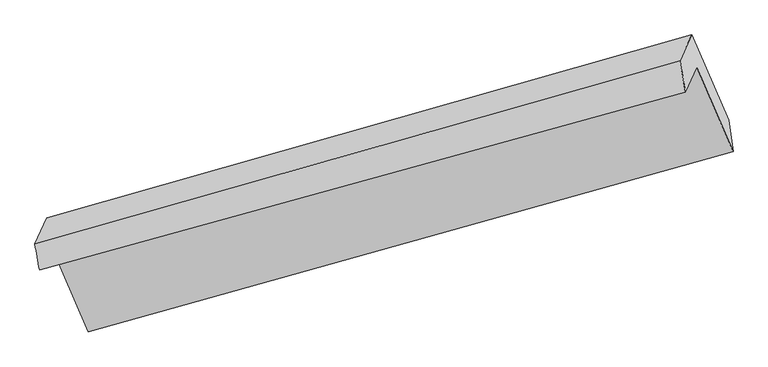
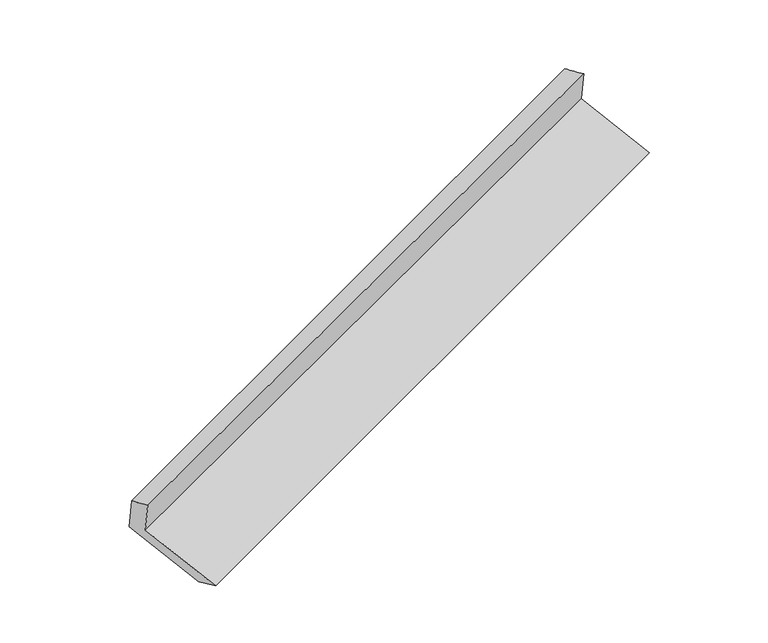
"""IFC4 building model written with IfcOpenShell, lengths in millimetres: proxy geometry."""

import ifcopenshell
import ifcopenshell.guid

model = None  # the IFC model being written
_history = None  # IfcOwnerHistory: only IFC2X3 demands one
_inside = {}  # id of a spatial element -> (the spatial element, [elements in it])
_under = {}  # id of a project, library or spatial element -> (it, [spatial elements below it])
_declared = {}  # id of a project -> (the project, [libraries it declares])
_typed = {}  # id of a type object -> (the type object, [elements of that type])
_made_of = {}  # id of a material, layer set ... -> (it, [elements and type objects made of it])


def new_model(schema):
    """Start an empty IFC model of exactly this schema.

    Asked for "IFC4X3", IfcOpenShell would pick the latest addendum, in which some entities
    have other attributes; the version numbers below select the first issue.
    IFC2X3 requires an IfcOwnerHistory on every rooted entity: one is made here for all.
    """
    global model, _history
    if schema == "IFC4X3":
        model = ifcopenshell.file(schema_version=(4, 3, 0, 0))
    else:
        model = ifcopenshell.file(schema=schema)
    _inside.clear()
    _under.clear()
    _declared.clear()
    _typed.clear()
    _made_of.clear()
    _history = None
    if model.schema == "IFC2X3":
        org = make("IfcOrganization", Name="unknown")
        user = make(
            "IfcPersonAndOrganization",
            ThePerson=make("IfcPerson", FamilyName="unknown"),
            TheOrganization=org,
        )
        app = make(
            "IfcApplication",
            ApplicationDeveloper=org,
            Version="unknown",
            ApplicationFullName="unknown",
            ApplicationIdentifier="unknown",
        )
        _history = make(
            "IfcOwnerHistory",
            OwningUser=user,
            OwningApplication=app,
            ChangeAction="ADDED",
            CreationDate=0,
        )
    return model


def make(cls, **values):
    """One entity of the class cls with the attributes given. An attribute that is None is left unset."""
    return model.create_entity(
        cls, **{name: value for name, value in values.items() if value is not None}
    )


def rooted(cls, **values):
    """An entity with a GlobalId (a new one), such as an element, a storey or a relation."""
    return make(cls, GlobalId=ifcopenshell.guid.new(), OwnerHistory=_history, **values)


def si_unit(unit_type, name, prefix=None):
    """IfcSIUnit, for example si_unit("LENGTHUNIT", "METRE", prefix="MILLI")."""
    return make("IfcSIUnit", UnitType=unit_type, Prefix=prefix, Name=name)


def assignment(units):
    """IfcUnitAssignment: the units of a project."""
    return None if units is None else make("IfcUnitAssignment", Units=units)


def point(xyz):
    """IfcCartesianPoint."""
    return None if xyz is None else make("IfcCartesianPoint", Coordinates=xyz)


def direction(xyz):
    """IfcDirection."""
    return None if xyz is None else make("IfcDirection", DirectionRatios=xyz)


def frame(location, z_axis=None, x_axis=None):
    """IfcAxis2Placement3D, a coordinate frame: its origin and axes. An axis left out is left unset."""
    return make(
        "IfcAxis2Placement3D",
        Location=point(location),
        Axis=direction(z_axis),
        RefDirection=direction(x_axis),
    )


def origin():
    """The frame at (0, 0, 0) with its axes left unset."""
    return frame((0.0, 0.0, 0.0))


def place(relative_to, where):
    """IfcLocalPlacement: puts the frame where relative to a parent placement (None: the world)."""
    return make(
        "IfcLocalPlacement", PlacementRelTo=relative_to, RelativePlacement=where
    )


def context(
    kind, dimensions, precision=None, world=None, true_north=None, identifier=None
):
    """IfcGeometricRepresentationContext, for example the 3D "Model" context."""
    return make(
        "IfcGeometricRepresentationContext",
        ContextIdentifier=identifier,
        ContextType=kind,
        CoordinateSpaceDimension=dimensions,
        Precision=precision,
        WorldCoordinateSystem=world,
        TrueNorth=true_north,
    )


def project(units=None, contexts=None):
    """IfcProject with its units and contexts."""
    return rooted(
        "IfcProject",
        Name="project",
        RepresentationContexts=contexts,
        UnitsInContext=assignment(units),
    )


def spatial(cls, under=None, at=None, **own):
    """A site, building, storey or space (cls), placed at a placement, below another one or the project."""
    s = rooted(cls, ObjectPlacement=at, **own)
    if under is not None:
        _under.setdefault(under.id(), (under, []))[1].append(s)
    return s


def shape(context_of_items, identifier, shape_type, items):
    """IfcShapeRepresentation: the items that make up one representation, for example the "Body"."""
    return make(
        "IfcShapeRepresentation",
        ContextOfItems=context_of_items,
        RepresentationIdentifier=identifier,
        RepresentationType=shape_type,
        Items=items,
    )


def source(mapping_origin, context_of_items, identifier, shape_type, items):
    """IfcRepresentationMap: a shape defined once, which mapped items show again and again."""
    return make(
        "IfcRepresentationMap",
        MappingOrigin=mapping_origin,
        MappedRepresentation=shape(context_of_items, identifier, shape_type, items),
    )


def transform(
    local_origin,
    x_axis=None,
    y_axis=None,
    z_axis=None,
    scale=None,
    scale2=None,
    scale3=None,
    uniform=True,
):
    """IfcCartesianTransformationOperator3D, or its non-uniform kind. x_axis, y_axis, z_axis: its Axis1, 2, 3."""
    if uniform:
        return make(
            "IfcCartesianTransformationOperator3D",
            Axis1=direction(x_axis),
            Axis2=direction(y_axis),
            LocalOrigin=point(local_origin),
            Scale=scale,
            Axis3=direction(z_axis),
        )
    return make(
        "IfcCartesianTransformationOperator3DnonUniform",
        Axis1=direction(x_axis),
        Axis2=direction(y_axis),
        LocalOrigin=point(local_origin),
        Scale=scale,
        Axis3=direction(z_axis),
        Scale2=scale2,
        Scale3=scale3,
    )


def mapped(mapping_source, mapping_target):
    """IfcMappedItem: shows the shape of a source again, moved by a transform."""
    return make(
        "IfcMappedItem", MappingSource=mapping_source, MappingTarget=mapping_target
    )


def made_of(thing, what):
    """Note that an element or type object is made of a material, layer set ...; save() writes the relation."""
    if what is not None:
        _made_of.setdefault(what.id(), (what, []))[1].append(thing)
    return thing


def element(
    cls,
    number,
    at=None,
    inside=None,
    cuts=None,
    type_object=None,
    material=None,
    context=None,
    identifier="Body",
    shape_type=None,
    held_by="IfcProductDefinitionShape",
    body=None,
    shapes=None,
    **own,
):
    """One element of the class cls, such as IfcWall. Its Tag is "e" and its number.

    at: its placement. inside: the storey or other place that contains it. cuts: it is an
    opening in that element (IfcRelVoidsElement). A single representation is given by context,
    identifier, shape_type and body (its items); several are given by shapes. held_by: the class
    of the entity that holds the representations. save() writes the other relations.
    """
    e = rooted(cls, Tag="e%d" % number, ObjectPlacement=at, **own)
    if body is not None:
        shapes = [shape(context, identifier, shape_type, body)]
    if shapes is not None:
        e.Representation = make(held_by, Representations=shapes)
    if inside is not None:
        _inside.setdefault(inside.id(), (inside, []))[1].append(e)
    if cuts is not None:
        rooted(
            "IfcRelVoidsElement", RelatingBuildingElement=cuts, RelatedOpeningElement=e
        )
    if type_object is not None:
        _typed.setdefault(type_object.id(), (type_object, []))[1].append(e)
    return made_of(e, material)


def aggregate(whole, parts):
    """IfcRelAggregates: a whole, such as a stair, and the parts it consists of."""
    return rooted("IfcRelAggregates", RelatingObject=whole, RelatedObjects=parts)


def save(model, path):
    """Write the relations noted so far, then the file.

    IfcRelAggregates (storeys below a building ...), IfcRelContainedInSpatialStructure (elements
    in a storey), IfcRelDefinesByType, IfcRelAssociatesMaterial and IfcRelDeclares: one each for
    every whole, place, type object, material and project.
    """
    for whole, parts in _under.values():
        aggregate(whole, parts)
    for where, things in _inside.values():
        rooted(
            "IfcRelContainedInSpatialStructure",
            RelatedElements=things,
            RelatingStructure=where,
        )
    for kind, things in _typed.values():
        rooted("IfcRelDefinesByType", RelatedObjects=things, RelatingType=kind)
    for what, things in _made_of.values():
        rooted("IfcRelAssociatesMaterial", RelatedObjects=things, RelatingMaterial=what)
    for by, libraries in _declared.values():
        rooted("IfcRelDeclares", RelatingContext=by, RelatedDefinitions=libraries)
    model.write(path)


def plane_surface(at):
    """IfcPlane: the flat surface through the origin of the frame at, square to its z axis."""
    return make("IfcPlane", Position=at)


def spline_surface(u_degree, v_degree, points, u_multiplicities, v_multiplicities, u_knots, v_knots, weights=None):
    """IfcBSplineSurfaceWithKnots; with weights, IfcRationalBSplineSurfaceWithKnots. points: one row for each step in u."""
    own = dict(
        UDegree=u_degree,
        VDegree=v_degree,
        ControlPointsList=[[point(p) for p in row] for row in points],
        SurfaceForm="UNSPECIFIED",
        UClosed=False,
        VClosed=False,
        SelfIntersect=False,
        UMultiplicities=u_multiplicities,
        VMultiplicities=v_multiplicities,
        UKnots=u_knots,
        VKnots=v_knots,
        KnotSpec="UNSPECIFIED",
    )
    if weights is None:
        return make("IfcBSplineSurfaceWithKnots", **own)
    return make("IfcRationalBSplineSurfaceWithKnots", WeightsData=weights, **own)


def advanced_brep(points, edges, surfaces, faces):
    """IfcAdvancedBrep: a solid bounded by faces that lie on surfaces and meet in shared edges.

    An edge is (start, end): straight between two places in points (the first is 0);
    or (start, end, curve); or (start, end, curve, False) where it runs against its curve.
    A face is (place in surfaces, loops), or (place, loops, False) where it looks against
    its surface's normal. A loop lists edges by number (the first is 1), with a minus sign
    where the edge is run from its end to its start. The first loop is the outer one.
    """
    corners = [point(p) for p in points]
    vertices = [make("IfcVertexPoint", VertexGeometry=c) for c in corners]
    made = []
    for start, end, *more in edges:
        made.append(
            make(
                "IfcEdgeCurve",
                EdgeStart=vertices[start],
                EdgeEnd=vertices[end],
                EdgeGeometry=more[0] if more else make("IfcPolyline", Points=[corners[start], corners[end]]),
                SameSense=more[1] if len(more) > 1 else True,
            )
        )
    hull = []
    for where, loops, *sense in faces:
        bounds = []
        for j, loop in enumerate(loops):
            ring = [make("IfcOrientedEdge", EdgeElement=made[abs(k) - 1], Orientation=k > 0) for k in loop]
            bounds.append(
                make(
                    "IfcFaceOuterBound" if j == 0 else "IfcFaceBound",
                    Bound=make("IfcEdgeLoop", EdgeList=ring),
                    Orientation=True,
                )
            )
        hull.append(make("IfcAdvancedFace", Bounds=bounds, FaceSurface=surfaces[where], SameSense=sense[0] if sense else True))
    return make("IfcAdvancedBrep", Outer=make("IfcClosedShell", CfsFaces=hull))


def generic_models_a7d3d888(model_context):
    return source(origin(), model_context, "Body", "AdvancedBrep", [
        advanced_brep(
        [(-5147.6340608, -2122.9820216, 1481.3898592), (-5071.1865918, -1955.0576768, 1135.4368524), (-733.0034715, -759.4204438, 2708.4311352), (-809.4509405, -927.3447887, 3054.3841419), (-5178.6881835, -1948.6327933, 1427.7157744), (-845.8212179, -714.207548, 2984.3629292), (-5098.3411236, -1772.1426156, 1064.1156801), (-767.4239535, -542.0002867, 2629.5863787), (-4851.0227433, -2346.7011188, 839.8785886), (-520.1055732, -1116.5587899, 2405.3492872), (-4820.1463644, -2538.262601, 907.8252598), (-489.4069382, -1325.332526, 2487.5685448)],
        [
            (0, 1),
            (1, 2),
            (2, 3),
            (3, 0),
            (4, 0),
            (3, 5),
            (5, 4),
            (6, 4),
            (5, 7),
            (7, 6),
            (8, 6),
            (7, 9),
            (9, 8),
            (10, 8),
            (9, 11),
            (11, 10),
            (1, 10),
            (11, 2),
        ],
        [
            plane_surface(frame((-5109.4103263, -2039.0198492, 1308.4133558), z_axis=(0.3626458956448782, -0.867349013613383, -0.3408718864262872), x_axis=(0.1949795424432831, 0.4282916407560633, -0.8823543780630814))),
            spline_surface(1, 1, [[(-5178.6881835, -1948.6327933, 1427.7157744), (-845.8212179, -714.207548, 2984.3629292)], [(-5147.6340608, -2122.9820216, 1481.3898592), (-809.4509405, -927.3447887, 3054.3841419)]], [2, 2], [2, 2], [0.0, 1.0], [0.0, 1.0]),
            plane_surface(frame((-5138.5146535, -1860.3877045, 1245.9157273), z_axis=(-0.36837391698761524, 0.8657363348513396, 0.33882334010715803), x_axis=(-0.19497954244328042, -0.42829164075622916, 0.8823543780630015))),
            plane_surface(frame((-4974.6819334, -2059.4218672, 951.9971344), z_axis=(0.19688288013881278, 0.42884162218725275, -0.8816643321514439), x_axis=(-0.3721847016006713, 0.8646421052951312, 0.33745011134273256))),
            spline_surface(1, 1, [[(-4820.1463644, -2538.262601, 907.8252598), (-489.4069382, -1325.332526, 2487.5685448)], [(-4851.0227433, -2346.7011188, 839.8785886), (-520.1055732, -1116.5587899, 2405.3492872)]], [2, 2], [2, 2], [0.0, 1.0], [0.0, 1.0]),
            plane_surface(frame((-4945.6664781, -2246.6601389, 1021.6310561), z_axis=(-0.20068688057296905, -0.4299359010088819, 0.8802726265138386), x_axis=(0.37218470160064704, -0.8646421052951366, -0.33745011134274555))),
            plane_surface(frame((-694.2020158, -897.4773972, 2711.6137362), z_axis=(0.9074478089251209, 0.26260293259838413, 0.3279911185805584), x_axis=(-0.3721847016006713, 0.8646421052951312, 0.33745011134273256))),
            plane_surface(frame((-5027.8365112, -2113.9631379, 1142.7270024), z_axis=(-0.907447808925083, -0.2626029325985328, -0.3279911185805442), x_axis=(-0.1949795424432815, -0.4282916407560635, 0.8823543780630817))),
        ],
        [
            (0, [[1, 2, 3, 4]]),
            (1, [[5, -4, 6, 7]]),
            (2, [[8, -7, 9, 10]]),
            (3, [[11, -10, 12, 13]]),
            (4, [[14, -13, 15, 16]]),
            (5, [[17, -16, 18, -2]]),
            (6, [[-12, -9, -6, -3, -18, -15]]),
            (7, [[-1, -5, -8, -11, -14, -17]]),
        ],
    ),
    ])


if __name__ == "__main__":
    model = new_model("IFC4")
    model_context = context("Model", 3, world=origin())
    ifc_project = project(units=[si_unit("LENGTHUNIT", "METRE", prefix="MILLI")], contexts=[model_context])
    site = spatial("IfcSite", under=ifc_project)
    building = spatial("IfcBuilding", under=site)
    placement = place(None, origin())
    generic_models_shape = generic_models_a7d3d888(model_context)
    element("IfcBuildingElementProxy", 1, Name="Generic Models", at=placement, inside=building, context=model_context, shape_type="MappedRepresentation", body=[
        mapped(generic_models_shape, transform((0.0, 0.0, 0.0), x_axis=(1.0, 0.0, 0.0), y_axis=(0.0, 1.0, 0.0), z_axis=(0.0, 0.0, 1.0))),
    ])
    save(model, "model.ifc")
